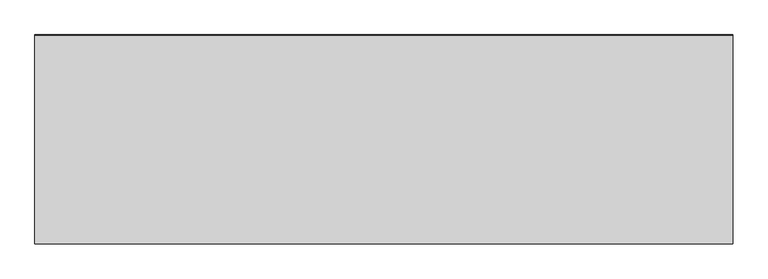
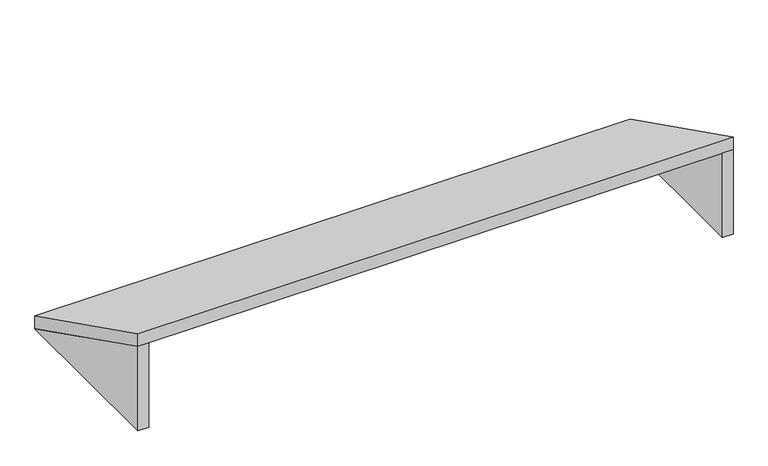
"""IFC4 building model written with IfcOpenShell, lengths in millimetres: furniture geometry."""

import ifcopenshell
import ifcopenshell.guid

model = None  # the IFC model being written
_history = None  # IfcOwnerHistory: only IFC2X3 demands one
_inside = {}  # id of a spatial element -> (the spatial element, [elements in it])
_under = {}  # id of a project, library or spatial element -> (it, [spatial elements below it])
_declared = {}  # id of a project -> (the project, [libraries it declares])
_typed = {}  # id of a type object -> (the type object, [elements of that type])
_made_of = {}  # id of a material, layer set ... -> (it, [elements and type objects made of it])


def new_model(schema):
    """Start an empty IFC model of exactly this schema.

    Asked for "IFC4X3", IfcOpenShell would pick the latest addendum, in which some entities
    have other attributes; the version numbers below select the first issue.
    IFC2X3 requires an IfcOwnerHistory on every rooted entity: one is made here for all.
    """
    global model, _history
    if schema == "IFC4X3":
        model = ifcopenshell.file(schema_version=(4, 3, 0, 0))
    else:
        model = ifcopenshell.file(schema=schema)
    _inside.clear()
    _under.clear()
    _declared.clear()
    _typed.clear()
    _made_of.clear()
    _history = None
    if model.schema == "IFC2X3":
        org = make("IfcOrganization", Name="unknown")
        user = make(
            "IfcPersonAndOrganization",
            ThePerson=make("IfcPerson", FamilyName="unknown"),
            TheOrganization=org,
        )
        app = make(
            "IfcApplication",
            ApplicationDeveloper=org,
            Version="unknown",
            ApplicationFullName="unknown",
            ApplicationIdentifier="unknown",
        )
        _history = make(
            "IfcOwnerHistory",
            OwningUser=user,
            OwningApplication=app,
            ChangeAction="ADDED",
            CreationDate=0,
        )
    return model


def make(cls, **values):
    """One entity of the class cls with the attributes given. An attribute that is None is left unset."""
    return model.create_entity(
        cls, **{name: value for name, value in values.items() if value is not None}
    )


def rooted(cls, **values):
    """An entity with a GlobalId (a new one), such as an element, a storey or a relation."""
    return make(cls, GlobalId=ifcopenshell.guid.new(), OwnerHistory=_history, **values)


def si_unit(unit_type, name, prefix=None):
    """IfcSIUnit, for example si_unit("LENGTHUNIT", "METRE", prefix="MILLI")."""
    return make("IfcSIUnit", UnitType=unit_type, Prefix=prefix, Name=name)


def assignment(units):
    """IfcUnitAssignment: the units of a project."""
    return None if units is None else make("IfcUnitAssignment", Units=units)


def point(xyz):
    """IfcCartesianPoint."""
    return None if xyz is None else make("IfcCartesianPoint", Coordinates=xyz)


def direction(xyz):
    """IfcDirection."""
    return None if xyz is None else make("IfcDirection", DirectionRatios=xyz)


def frame(location, z_axis=None, x_axis=None):
    """IfcAxis2Placement3D, a coordinate frame: its origin and axes. An axis left out is left unset."""
    return make(
        "IfcAxis2Placement3D",
        Location=point(location),
        Axis=direction(z_axis),
        RefDirection=direction(x_axis),
    )


def origin():
    """The frame at (0, 0, 0) with its axes left unset."""
    return frame((0.0, 0.0, 0.0))


def place(relative_to, where):
    """IfcLocalPlacement: puts the frame where relative to a parent placement (None: the world)."""
    return make(
        "IfcLocalPlacement", PlacementRelTo=relative_to, RelativePlacement=where
    )


def context(
    kind, dimensions, precision=None, world=None, true_north=None, identifier=None
):
    """IfcGeometricRepresentationContext, for example the 3D "Model" context."""
    return make(
        "IfcGeometricRepresentationContext",
        ContextIdentifier=identifier,
        ContextType=kind,
        CoordinateSpaceDimension=dimensions,
        Precision=precision,
        WorldCoordinateSystem=world,
        TrueNorth=true_north,
    )


def project(units=None, contexts=None):
    """IfcProject with its units and contexts."""
    return rooted(
        "IfcProject",
        Name="project",
        RepresentationContexts=contexts,
        UnitsInContext=assignment(units),
    )


def spatial(cls, under=None, at=None, **own):
    """A site, building, storey or space (cls), placed at a placement, below another one or the project."""
    s = rooted(cls, ObjectPlacement=at, **own)
    if under is not None:
        _under.setdefault(under.id(), (under, []))[1].append(s)
    return s


def polyline(points):
    """IfcPolyline through the points."""
    return make("IfcPolyline", Points=[point(p) for p in points])


def outline(outer, holes=None, kind="AREA"):
    """IfcArbitraryClosedProfileDef: a profile drawn as a closed curve; with holes, ...WithVoids."""
    if holes is None:
        return make("IfcArbitraryClosedProfileDef", ProfileType=kind, OuterCurve=outer)
    return make(
        "IfcArbitraryProfileDefWithVoids",
        ProfileType=kind,
        OuterCurve=outer,
        InnerCurves=holes,
    )


def extrude(swept, where, along, depth):
    """IfcExtrudedAreaSolid: the profile swept, set in the frame where, extruded along a direction by depth."""
    return make(
        "IfcExtrudedAreaSolid",
        SweptArea=swept,
        Position=where,
        ExtrudedDirection=direction(along),
        Depth=depth,
    )


def shape(context_of_items, identifier, shape_type, items):
    """IfcShapeRepresentation: the items that make up one representation, for example the "Body"."""
    return make(
        "IfcShapeRepresentation",
        ContextOfItems=context_of_items,
        RepresentationIdentifier=identifier,
        RepresentationType=shape_type,
        Items=items,
    )


def source(mapping_origin, context_of_items, identifier, shape_type, items):
    """IfcRepresentationMap: a shape defined once, which mapped items show again and again."""
    return make(
        "IfcRepresentationMap",
        MappingOrigin=mapping_origin,
        MappedRepresentation=shape(context_of_items, identifier, shape_type, items),
    )


def transform(
    local_origin,
    x_axis=None,
    y_axis=None,
    z_axis=None,
    scale=None,
    scale2=None,
    scale3=None,
    uniform=True,
):
    """IfcCartesianTransformationOperator3D, or its non-uniform kind. x_axis, y_axis, z_axis: its Axis1, 2, 3."""
    if uniform:
        return make(
            "IfcCartesianTransformationOperator3D",
            Axis1=direction(x_axis),
            Axis2=direction(y_axis),
            LocalOrigin=point(local_origin),
            Scale=scale,
            Axis3=direction(z_axis),
        )
    return make(
        "IfcCartesianTransformationOperator3DnonUniform",
        Axis1=direction(x_axis),
        Axis2=direction(y_axis),
        LocalOrigin=point(local_origin),
        Scale=scale,
        Axis3=direction(z_axis),
        Scale2=scale2,
        Scale3=scale3,
    )


def mapped(mapping_source, mapping_target):
    """IfcMappedItem: shows the shape of a source again, moved by a transform."""
    return make(
        "IfcMappedItem", MappingSource=mapping_source, MappingTarget=mapping_target
    )


def made_of(thing, what):
    """Note that an element or type object is made of a material, layer set ...; save() writes the relation."""
    if what is not None:
        _made_of.setdefault(what.id(), (what, []))[1].append(thing)
    return thing


def element(
    cls,
    number,
    at=None,
    inside=None,
    cuts=None,
    type_object=None,
    material=None,
    context=None,
    identifier="Body",
    shape_type=None,
    held_by="IfcProductDefinitionShape",
    body=None,
    shapes=None,
    **own,
):
    """One element of the class cls, such as IfcWall. Its Tag is "e" and its number.

    at: its placement. inside: the storey or other place that contains it. cuts: it is an
    opening in that element (IfcRelVoidsElement). A single representation is given by context,
    identifier, shape_type and body (its items); several are given by shapes. held_by: the class
    of the entity that holds the representations. save() writes the other relations.
    """
    e = rooted(cls, Tag="e%d" % number, ObjectPlacement=at, **own)
    if body is not None:
        shapes = [shape(context, identifier, shape_type, body)]
    if shapes is not None:
        e.Representation = make(held_by, Representations=shapes)
    if inside is not None:
        _inside.setdefault(inside.id(), (inside, []))[1].append(e)
    if cuts is not None:
        rooted(
            "IfcRelVoidsElement", RelatingBuildingElement=cuts, RelatedOpeningElement=e
        )
    if type_object is not None:
        _typed.setdefault(type_object.id(), (type_object, []))[1].append(e)
    return made_of(e, material)


def aggregate(whole, parts):
    """IfcRelAggregates: a whole, such as a stair, and the parts it consists of."""
    return rooted("IfcRelAggregates", RelatingObject=whole, RelatedObjects=parts)


def save(model, path):
    """Write the relations noted so far, then the file.

    IfcRelAggregates (storeys below a building ...), IfcRelContainedInSpatialStructure (elements
    in a storey), IfcRelDefinesByType, IfcRelAssociatesMaterial and IfcRelDeclares: one each for
    every whole, place, type object, material and project.
    """
    for whole, parts in _under.values():
        aggregate(whole, parts)
    for where, things in _inside.values():
        rooted(
            "IfcRelContainedInSpatialStructure",
            RelatedElements=things,
            RelatingStructure=where,
        )
    for kind, things in _typed.values():
        rooted("IfcRelDefinesByType", RelatedObjects=things, RelatingType=kind)
    for what, things in _made_of.values():
        rooted("IfcRelAssociatesMaterial", RelatedObjects=things, RelatingMaterial=what)
    for by, libraries in _declared.values():
        rooted("IfcRelDeclares", RelatingContext=by, RelatedDefinitions=libraries)
    model.write(path)


def furniture_e224484b(model_context):
    return source(origin(), model_context, "Body", "SweptSolid", [
        extrude(outline(polyline([(0.4, 2250.0), (300.4, 2100.0), (0.4, 2100.0), (0.4, 2250.0)])), frame((1107.0, 0.0, 0.0), z_axis=(1.0, 0.0, 0.0), x_axis=(0.0, 1.0, 0.0)), (0.0, 0.0, 1.0), 18.0),
        extrude(outline(polyline([(0.4, 2250.0), (300.4, 2100.0), (0.4, 2100.0), (0.4, 2250.0)])), frame((125.0, 0.0, 0.0), z_axis=(1.0, 0.0, 0.0), x_axis=(0.0, 1.0, 0.0)), (0.0, 0.0, 1.0), 18.0),
        extrude(outline(polyline([(0.4, 2272.3606798), (300.2857517, 2122.4178039), (300.4, 2100.0), (0.4, 2250.0), (0.4, 2272.3606798)])), frame((125.0, 0.0, 0.0), z_axis=(1.0, 0.0, 0.0), x_axis=(0.0, 1.0, 0.0)), (0.0, 0.0, 1.0), 1000.0),
    ])


if __name__ == "__main__":
    model = new_model("IFC4")
    model_context = context("Model", 3, world=origin())
    ifc_project = project(units=[si_unit("LENGTHUNIT", "METRE", prefix="MILLI")], contexts=[model_context])
    site = spatial("IfcSite", under=ifc_project)
    building = spatial("IfcBuilding", under=site)
    placement = place(None, origin())
    furniture_shape = furniture_e224484b(model_context)
    element("IfcFurniture", 1, at=placement, inside=building, context=model_context, shape_type="MappedRepresentation", body=[
        mapped(furniture_shape, transform((0.0, 0.0, 0.0), x_axis=(1.0, 0.0, 0.0), y_axis=(0.0, 1.0, 0.0), z_axis=(0.0, 0.0, 1.0))),
    ])
    save(model, "model.ifc")
